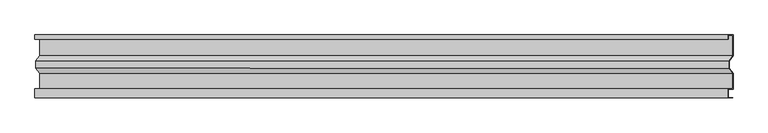
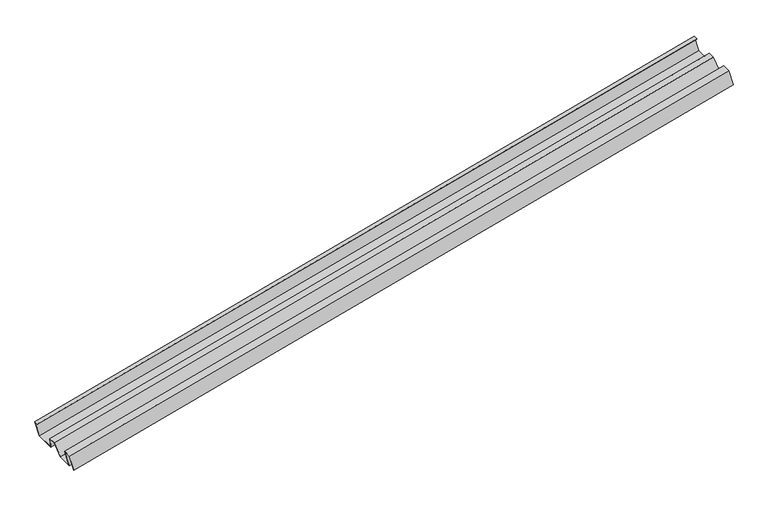
"""IFC4 building model written with IfcOpenShell, lengths in millimetres: proxy geometry."""

import ifcopenshell
import ifcopenshell.guid

model = None  # the IFC model being written
_history = None  # IfcOwnerHistory: only IFC2X3 demands one
_inside = {}  # id of a spatial element -> (the spatial element, [elements in it])
_under = {}  # id of a project, library or spatial element -> (it, [spatial elements below it])
_declared = {}  # id of a project -> (the project, [libraries it declares])
_typed = {}  # id of a type object -> (the type object, [elements of that type])
_made_of = {}  # id of a material, layer set ... -> (it, [elements and type objects made of it])


def new_model(schema):
    """Start an empty IFC model of exactly this schema.

    Asked for "IFC4X3", IfcOpenShell would pick the latest addendum, in which some entities
    have other attributes; the version numbers below select the first issue.
    IFC2X3 requires an IfcOwnerHistory on every rooted entity: one is made here for all.
    """
    global model, _history
    if schema == "IFC4X3":
        model = ifcopenshell.file(schema_version=(4, 3, 0, 0))
    else:
        model = ifcopenshell.file(schema=schema)
    _inside.clear()
    _under.clear()
    _declared.clear()
    _typed.clear()
    _made_of.clear()
    _history = None
    if model.schema == "IFC2X3":
        org = make("IfcOrganization", Name="unknown")
        user = make(
            "IfcPersonAndOrganization",
            ThePerson=make("IfcPerson", FamilyName="unknown"),
            TheOrganization=org,
        )
        app = make(
            "IfcApplication",
            ApplicationDeveloper=org,
            Version="unknown",
            ApplicationFullName="unknown",
            ApplicationIdentifier="unknown",
        )
        _history = make(
            "IfcOwnerHistory",
            OwningUser=user,
            OwningApplication=app,
            ChangeAction="ADDED",
            CreationDate=0,
        )
    return model


def make(cls, **values):
    """One entity of the class cls with the attributes given. An attribute that is None is left unset."""
    return model.create_entity(
        cls, **{name: value for name, value in values.items() if value is not None}
    )


def rooted(cls, **values):
    """An entity with a GlobalId (a new one), such as an element, a storey or a relation."""
    return make(cls, GlobalId=ifcopenshell.guid.new(), OwnerHistory=_history, **values)


def si_unit(unit_type, name, prefix=None):
    """IfcSIUnit, for example si_unit("LENGTHUNIT", "METRE", prefix="MILLI")."""
    return make("IfcSIUnit", UnitType=unit_type, Prefix=prefix, Name=name)


def assignment(units):
    """IfcUnitAssignment: the units of a project."""
    return None if units is None else make("IfcUnitAssignment", Units=units)


def point(xyz):
    """IfcCartesianPoint."""
    return None if xyz is None else make("IfcCartesianPoint", Coordinates=xyz)


def direction(xyz):
    """IfcDirection."""
    return None if xyz is None else make("IfcDirection", DirectionRatios=xyz)


def frame(location, z_axis=None, x_axis=None):
    """IfcAxis2Placement3D, a coordinate frame: its origin and axes. An axis left out is left unset."""
    return make(
        "IfcAxis2Placement3D",
        Location=point(location),
        Axis=direction(z_axis),
        RefDirection=direction(x_axis),
    )


def origin():
    """The frame at (0, 0, 0) with its axes left unset."""
    return frame((0.0, 0.0, 0.0))


def place(relative_to, where):
    """IfcLocalPlacement: puts the frame where relative to a parent placement (None: the world)."""
    return make(
        "IfcLocalPlacement", PlacementRelTo=relative_to, RelativePlacement=where
    )


def context(
    kind, dimensions, precision=None, world=None, true_north=None, identifier=None
):
    """IfcGeometricRepresentationContext, for example the 3D "Model" context."""
    return make(
        "IfcGeometricRepresentationContext",
        ContextIdentifier=identifier,
        ContextType=kind,
        CoordinateSpaceDimension=dimensions,
        Precision=precision,
        WorldCoordinateSystem=world,
        TrueNorth=true_north,
    )


def project(units=None, contexts=None):
    """IfcProject with its units and contexts."""
    return rooted(
        "IfcProject",
        Name="project",
        RepresentationContexts=contexts,
        UnitsInContext=assignment(units),
    )


def spatial(cls, under=None, at=None, **own):
    """A site, building, storey or space (cls), placed at a placement, below another one or the project."""
    s = rooted(cls, ObjectPlacement=at, **own)
    if under is not None:
        _under.setdefault(under.id(), (under, []))[1].append(s)
    return s


def polyline(points):
    """IfcPolyline through the points."""
    return make("IfcPolyline", Points=[point(p) for p in points])


def outline(outer, holes=None, kind="AREA"):
    """IfcArbitraryClosedProfileDef: a profile drawn as a closed curve; with holes, ...WithVoids."""
    if holes is None:
        return make("IfcArbitraryClosedProfileDef", ProfileType=kind, OuterCurve=outer)
    return make(
        "IfcArbitraryProfileDefWithVoids",
        ProfileType=kind,
        OuterCurve=outer,
        InnerCurves=holes,
    )


def extrude(swept, where, along, depth):
    """IfcExtrudedAreaSolid: the profile swept, set in the frame where, extruded along a direction by depth."""
    return make(
        "IfcExtrudedAreaSolid",
        SweptArea=swept,
        Position=where,
        ExtrudedDirection=direction(along),
        Depth=depth,
    )


def shape(context_of_items, identifier, shape_type, items):
    """IfcShapeRepresentation: the items that make up one representation, for example the "Body"."""
    return make(
        "IfcShapeRepresentation",
        ContextOfItems=context_of_items,
        RepresentationIdentifier=identifier,
        RepresentationType=shape_type,
        Items=items,
    )


def source(mapping_origin, context_of_items, identifier, shape_type, items):
    """IfcRepresentationMap: a shape defined once, which mapped items show again and again."""
    return make(
        "IfcRepresentationMap",
        MappingOrigin=mapping_origin,
        MappedRepresentation=shape(context_of_items, identifier, shape_type, items),
    )


def transform(
    local_origin,
    x_axis=None,
    y_axis=None,
    z_axis=None,
    scale=None,
    scale2=None,
    scale3=None,
    uniform=True,
):
    """IfcCartesianTransformationOperator3D, or its non-uniform kind. x_axis, y_axis, z_axis: its Axis1, 2, 3."""
    if uniform:
        return make(
            "IfcCartesianTransformationOperator3D",
            Axis1=direction(x_axis),
            Axis2=direction(y_axis),
            LocalOrigin=point(local_origin),
            Scale=scale,
            Axis3=direction(z_axis),
        )
    return make(
        "IfcCartesianTransformationOperator3DnonUniform",
        Axis1=direction(x_axis),
        Axis2=direction(y_axis),
        LocalOrigin=point(local_origin),
        Scale=scale,
        Axis3=direction(z_axis),
        Scale2=scale2,
        Scale3=scale3,
    )


def mapped(mapping_source, mapping_target):
    """IfcMappedItem: shows the shape of a source again, moved by a transform."""
    return make(
        "IfcMappedItem", MappingSource=mapping_source, MappingTarget=mapping_target
    )


def made_of(thing, what):
    """Note that an element or type object is made of a material, layer set ...; save() writes the relation."""
    if what is not None:
        _made_of.setdefault(what.id(), (what, []))[1].append(thing)
    return thing


def element(
    cls,
    number,
    at=None,
    inside=None,
    cuts=None,
    type_object=None,
    material=None,
    context=None,
    identifier="Body",
    shape_type=None,
    held_by="IfcProductDefinitionShape",
    body=None,
    shapes=None,
    **own,
):
    """One element of the class cls, such as IfcWall. Its Tag is "e" and its number.

    at: its placement. inside: the storey or other place that contains it. cuts: it is an
    opening in that element (IfcRelVoidsElement). A single representation is given by context,
    identifier, shape_type and body (its items); several are given by shapes. held_by: the class
    of the entity that holds the representations. save() writes the other relations.
    """
    e = rooted(cls, Tag="e%d" % number, ObjectPlacement=at, **own)
    if body is not None:
        shapes = [shape(context, identifier, shape_type, body)]
    if shapes is not None:
        e.Representation = make(held_by, Representations=shapes)
    if inside is not None:
        _inside.setdefault(inside.id(), (inside, []))[1].append(e)
    if cuts is not None:
        rooted(
            "IfcRelVoidsElement", RelatingBuildingElement=cuts, RelatedOpeningElement=e
        )
    if type_object is not None:
        _typed.setdefault(type_object.id(), (type_object, []))[1].append(e)
    return made_of(e, material)


def aggregate(whole, parts):
    """IfcRelAggregates: a whole, such as a stair, and the parts it consists of."""
    return rooted("IfcRelAggregates", RelatingObject=whole, RelatedObjects=parts)


def save(model, path):
    """Write the relations noted so far, then the file.

    IfcRelAggregates (storeys below a building ...), IfcRelContainedInSpatialStructure (elements
    in a storey), IfcRelDefinesByType, IfcRelAssociatesMaterial and IfcRelDeclares: one each for
    every whole, place, type object, material and project.
    """
    for whole, parts in _under.values():
        aggregate(whole, parts)
    for where, things in _inside.values():
        rooted(
            "IfcRelContainedInSpatialStructure",
            RelatedElements=things,
            RelatingStructure=where,
        )
    for kind, things in _typed.values():
        rooted("IfcRelDefinesByType", RelatedObjects=things, RelatingType=kind)
    for what, things in _made_of.values():
        rooted("IfcRelAssociatesMaterial", RelatedObjects=things, RelatingMaterial=what)
    for by, libraries in _declared.values():
        rooted("IfcRelDeclares", RelatingContext=by, RelatedDefinitions=libraries)
    model.write(path)


def generic_models_563b5c6d(model_context):
    return source(origin(), model_context, "Body", "SweptSolid", [
        extrude(outline(polyline([(-27.5868093, -176.537752), (-27.5868093, -128.037752), (-69.8494733, -128.037752), (-83.9534846, -166.7882045), (-104.4905014, -166.7882045), (-118.5945127, -128.037752), (-174.0868093, -128.037752), (-174.0868093, -175.537752), (-162.75, -175.537752), (-162.75, -176.537752), (-175.0868093, -176.537752), (-175.0868093, -127.037752), (-117.8943051, -127.037752), (-103.7902938, -165.7882046), (-84.6536921, -165.7882046), (-70.5496809, -127.037752), (-26.5868093, -127.037752), (-26.5868093, -175.537752), (-4.0, -175.537752), (-4.0, -128.037752), (-3.0, -128.037752), (-3.0, -176.537752), (-27.5868093, -176.537752)])), frame((4963.5268571, -260.9050751, 3147.6019298), z_axis=(0.9659258262890693, 0.0, 0.25881904510251685), x_axis=(0.0, -1.0, 0.0)), (0.0, 0.0, 1.0), 1960.0),
    ])


if __name__ == "__main__":
    model = new_model("IFC4")
    model_context = context("Model", 3, world=origin())
    ifc_project = project(units=[si_unit("LENGTHUNIT", "METRE", prefix="MILLI")], contexts=[model_context])
    site = spatial("IfcSite", under=ifc_project)
    building = spatial("IfcBuilding", under=site)
    placement = place(None, origin())
    generic_models_shape = generic_models_563b5c6d(model_context)
    element("IfcBuildingElementProxy", 1, Name="Generic Models", at=placement, inside=building, context=model_context, shape_type="MappedRepresentation", body=[
        mapped(generic_models_shape, transform((0.0, 0.0, 0.0), x_axis=(1.0, 0.0, 0.0), y_axis=(0.0, 1.0, 0.0), z_axis=(0.0, 0.0, 1.0))),
    ])
    save(model, "model.ifc")
